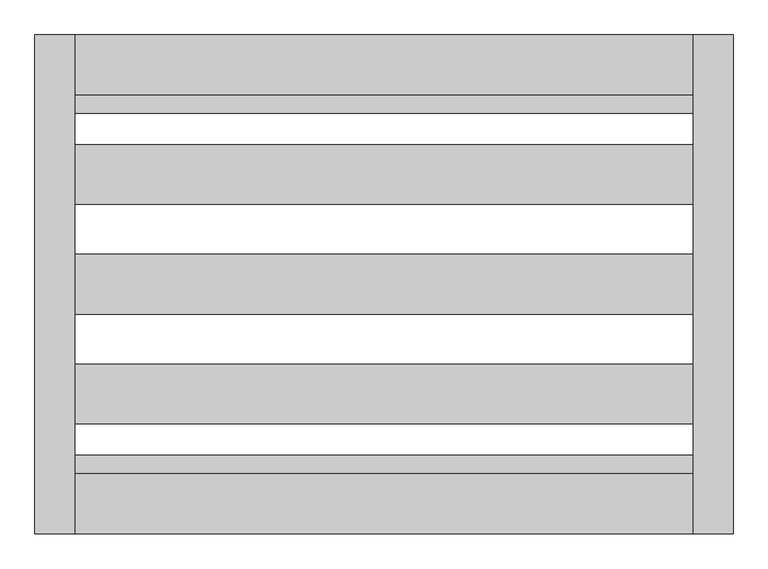
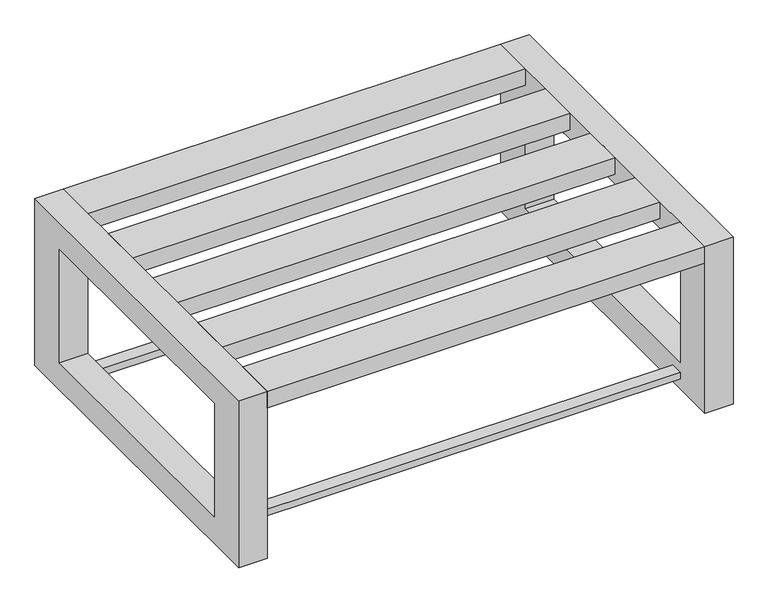
"""IFC4 building model written with IfcOpenShell, lengths in millimetres: furniture geometry."""

from ifc_helpers import new_model, si_unit, frame, origin, place, context, project, spatial, polyline, outline, extrude, source, transform, mapped, element, save


def furniture_1fc8630f(model_context):
    return source(origin(), model_context, "Body", "SweptSolid", [
        extrude(outline(polyline([(-219.95672, 1066.5928463), (-1459.95672, 1066.5928463), (-1459.95672, 1104.0928463), (-219.95672, 1104.0928463), (-219.95672, 1066.5928463)])), frame((0.0, 0.0, 30.0), z_axis=(0.0, 0.0, 1.0), x_axis=(1.0, 0.0, 0.0)), (0.0, 0.0, 1.0), 20.0),
        extrude(outline(polyline([(-219.95672, 344.0928463), (-1459.95672, 344.0928463), (-1459.95672, 381.5928463), (-219.95672, 381.5928463), (-219.95672, 344.0928463)])), frame((0.0, 0.0, 30.0), z_axis=(0.0, 0.0, 1.0), x_axis=(1.0, 0.0, 0.0)), (0.0, 0.0, 1.0), 20.0),
        extrude(outline(polyline([(224.0928463, 500.0), (1224.0928463, 500.0), (1224.0928463, 0.0), (224.0928463, 0.0), (224.0928463, 500.0)]), holes=[polyline([(344.0928463, 420.0), (344.0928463, 80.0), (1104.0928463, 80.0), (1104.0928463, 420.0), (344.0928463, 420.0)])]), frame((-1539.95672, 0.0, 0.0), z_axis=(1.0, 0.0, 0.0), x_axis=(0.0, 1.0, 0.0)), (0.0, 0.0, 1.0), 80.0),
        extrude(outline(polyline([(224.0928463, 500.0), (1224.0928463, 500.0), (1224.0928463, 0.0), (224.0928463, 0.0), (224.0928463, 500.0)]), holes=[polyline([(1104.0928463, 420.0), (344.0928463, 420.0), (344.0928463, 80.0), (1104.0928463, 80.0), (1104.0928463, 420.0)])]), frame((-219.95672, 0.0, 0.0), z_axis=(1.0, 0.0, 0.0), x_axis=(0.0, 1.0, 0.0)), (0.0, 0.0, 1.0), 80.0),
        extrude(outline(polyline([(-1459.95672, 224.0928463), (-1459.95672, 344.0928463), (-219.95672, 344.0928463), (-219.95672, 224.0928463), (-1459.95672, 224.0928463)])), frame((0.0, 0.0, 450.0), z_axis=(0.0, 0.0, 1.0), x_axis=(1.0, 0.0, 0.0)), (0.0, 0.0, 1.0), 50.0),
        extrude(outline(polyline([(-1459.95672, 444.0928463), (-1459.95672, 564.0928463), (-219.95672, 564.0928463), (-219.95672, 444.0928463), (-1459.95672, 444.0928463)])), frame((0.0, 0.0, 450.0), z_axis=(0.0, 0.0, 1.0), x_axis=(1.0, 0.0, 0.0)), (0.0, 0.0, 1.0), 50.0),
        extrude(outline(polyline([(-1459.95672, 664.0928463), (-1459.95672, 784.0928463), (-219.95672, 784.0928463), (-219.95672, 664.0928463), (-1459.95672, 664.0928463)])), frame((0.0, 0.0, 450.0), z_axis=(0.0, 0.0, 1.0), x_axis=(1.0, 0.0, 0.0)), (0.0, 0.0, 1.0), 50.0),
        extrude(outline(polyline([(-219.95672, 1004.0928463), (-219.95672, 884.0928463), (-1459.95672, 884.0928463), (-1459.95672, 1004.0928463), (-219.95672, 1004.0928463)])), frame((0.0, 0.0, 450.0), z_axis=(0.0, 0.0, 1.0), x_axis=(1.0, 0.0, 0.0)), (0.0, 0.0, 1.0), 50.0),
        extrude(outline(polyline([(-1459.95672, 1104.0928463), (-1459.95672, 1224.0928463), (-219.95672, 1224.0928463), (-219.95672, 1104.0928463), (-1459.95672, 1104.0928463)])), frame((0.0, 0.0, 450.0), z_axis=(0.0, 0.0, 1.0), x_axis=(1.0, 0.0, 0.0)), (0.0, 0.0, 1.0), 50.0),
    ])


if __name__ == "__main__":
    model = new_model("IFC4")
    model_context = context("Model", 3, world=origin())
    ifc_project = project(units=[si_unit("LENGTHUNIT", "METRE", prefix="MILLI")], contexts=[model_context])
    site = spatial("IfcSite", under=ifc_project)
    building = spatial("IfcBuilding", under=site)
    placement = place(None, origin())
    furniture_shape = furniture_1fc8630f(model_context)
    element("IfcFurniture", 1, at=placement, inside=building, context=model_context, shape_type="MappedRepresentation", body=[
        mapped(furniture_shape, transform((0.0, 0.0, 0.0), x_axis=(1.0, 0.0, 0.0), y_axis=(0.0, 1.0, 0.0), z_axis=(0.0, 0.0, 1.0))),
    ])
    save(model, "model.ifc")
